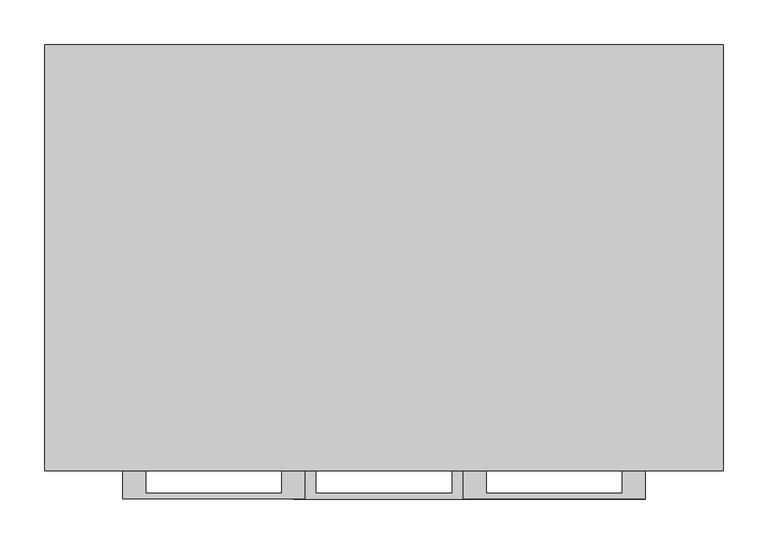
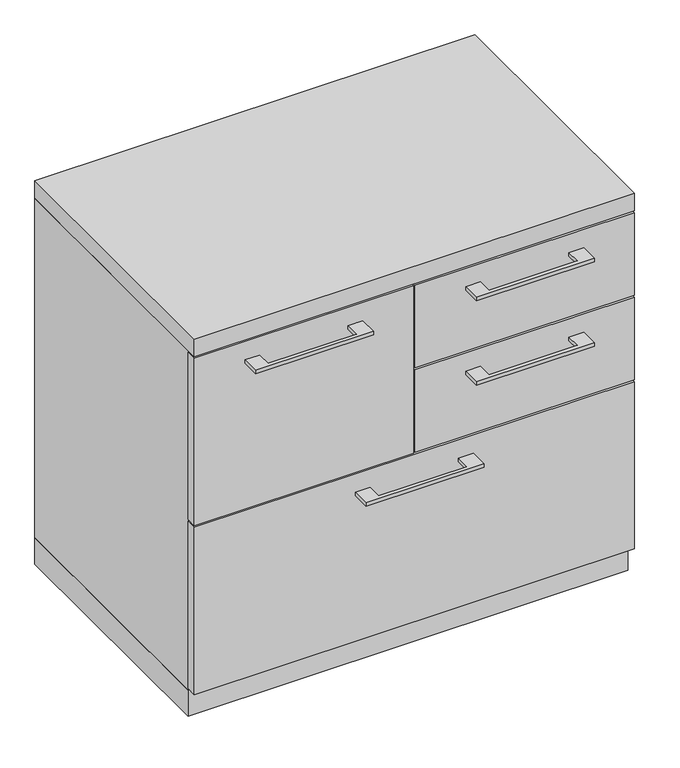
"""IFC4 building model written with IfcOpenShell, lengths in millimetres: furniture geometry."""

from ifc_helpers import new_model, si_unit, frame, origin, origin_with_axes, place, context, project, spatial, polyline, outline, extrude, source, transform, mapped, element, save


def furniture_0f0b9647(model_context):
    return source(origin(), model_context, "Body", "SweptSolid", [
        extrude(outline(polyline([(114.3000182, -476.25), (114.3000182, -501.6499758), (266.7, -501.6499758), (266.7, -476.25), (292.0999939, -476.25), (292.0999939, -507.9999879), (88.9000061, -507.9999879), (88.9000061, -476.25), (114.3000182, -476.25)])), frame((0.0, 0.0, 623.8875506), z_axis=(0.0, 0.0, 1.0), x_axis=(1.0, 0.0, 0.0)), (0.0, 0.0, 1.0), 6.3499758),
        extrude(outline(polyline([(379.4125, -457.2), (379.4125, -476.25), (1.5875, -476.25), (1.5875, -457.2), (379.4125, -457.2)])), frame((0.0, 0.0, 512.7625), z_axis=(0.0, 0.0, 1.0), x_axis=(1.0, 0.0, 0.0)), (0.0, 0.0, 1.0), 150.8125),
        extrude(outline(polyline([(114.3000182, -476.25), (114.3000182, -501.6499758), (266.7, -501.6499758), (266.7, -476.25), (292.0999939, -476.25), (292.0999939, -507.9999879), (88.9000061, -507.9999879), (88.9000061, -476.25), (114.3000182, -476.25)])), frame((0.0, 0.0, 469.9000506), z_axis=(0.0, 0.0, 1.0), x_axis=(1.0, 0.0, 0.0)), (0.0, 0.0, 1.0), 6.3499758),
        extrude(outline(polyline([(379.4125, -457.2), (379.4125, -476.25), (1.5875, -476.25), (1.5875, -457.2), (379.4125, -457.2)])), frame((0.0, 0.0, 358.775), z_axis=(0.0, 0.0, 1.0), x_axis=(1.0, 0.0, 0.0)), (0.0, 0.0, 1.0), 150.8125),
        extrude(outline(polyline([(-266.6999818, -476.25), (-266.6999818, -501.6499758), (-114.3, -501.6499758), (-114.3, -476.25), (-88.9000061, -476.25), (-88.9000061, -507.9999879), (-292.0999939, -507.9999879), (-292.0999939, -476.25), (-266.6999818, -476.25)])), frame((0.0, 0.0, 623.8875506), z_axis=(0.0, 0.0, 1.0), x_axis=(1.0, 0.0, 0.0)), (0.0, 0.0, 1.0), 6.3499758),
        extrude(outline(polyline([(-1.5875, -457.2), (-1.5875, -476.25), (-379.4125, -476.25), (-379.4125, -457.2), (-1.5875, -457.2)])), frame((0.0, 0.0, 358.775), z_axis=(0.0, 0.0, 1.0), x_axis=(1.0, 0.0, 0.0)), (0.0, 0.0, 1.0), 304.8),
        extrude(outline(polyline([(-76.1999818, -476.25), (-76.1999818, -501.6499758), (76.2, -501.6499758), (76.2, -476.25), (101.5999939, -476.25), (101.5999939, -507.9999879), (-101.5999939, -507.9999879), (-101.5999939, -476.25), (-76.1999818, -476.25)])), frame((0.0, 0.0, 315.9125506), z_axis=(0.0, 0.0, 1.0), x_axis=(1.0, 0.0, 0.0)), (0.0, 0.0, 1.0), 6.3499758),
        extrude(outline(polyline([(379.4125, -457.2), (379.4125, -476.25), (-379.4125, -476.25), (-379.4125, -457.2), (379.4125, -457.2)])), frame((0.0, 0.0, 50.8), z_axis=(0.0, 0.0, 1.0), x_axis=(1.0, 0.0, 0.0)), (0.0, 0.0, 1.0), 304.8),
        extrude(outline(polyline([(379.4125, 0.0), (379.4125, -457.2), (-379.4125, -457.2), (-379.4125, 0.0), (379.4125, 0.0)])), origin_with_axes(), (0.0, 0.0, 1.0), 47.625),
        extrude(outline(polyline([(379.4125, 0.0), (379.4125, -476.25), (-379.4125, -476.25), (-379.4125, 0.0), (379.4125, 0.0)])), frame((0.0, 0.0, 666.75), z_axis=(0.0, 0.0, 1.0), x_axis=(1.0, 0.0, 0.0)), (0.0, 0.0, 1.0), 31.75),
        extrude(outline(polyline([(379.4125, 0.0), (379.4125, -457.2), (-379.4125, -457.2), (-379.4125, 0.0), (379.4125, 0.0)])), frame((0.0, 0.0, 47.625), z_axis=(0.0, 0.0, 1.0), x_axis=(1.0, 0.0, 0.0)), (0.0, 0.0, 1.0), 619.125),
    ])


if __name__ == "__main__":
    model = new_model("IFC4")
    model_context = context("Model", 3, world=origin())
    ifc_project = project(units=[si_unit("LENGTHUNIT", "METRE", prefix="MILLI")], contexts=[model_context])
    site = spatial("IfcSite", under=ifc_project)
    building = spatial("IfcBuilding", under=site)
    placement = place(None, origin())
    furniture_shape = furniture_0f0b9647(model_context)
    element("IfcFurniture", 1, at=placement, inside=building, context=model_context, shape_type="MappedRepresentation", body=[
        mapped(furniture_shape, transform((0.0, 0.0, 0.0), x_axis=(1.0, 0.0, 0.0), y_axis=(0.0, 1.0, 0.0), z_axis=(0.0, 0.0, 1.0))),
    ])
    save(model, "model.ifc")
